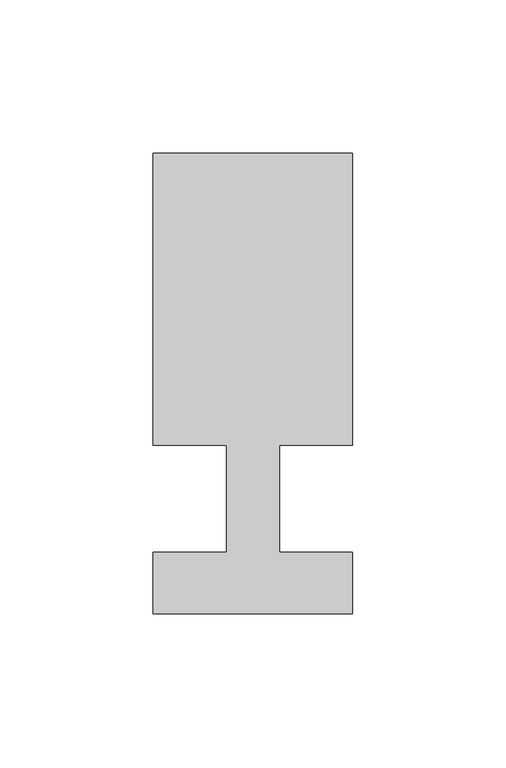
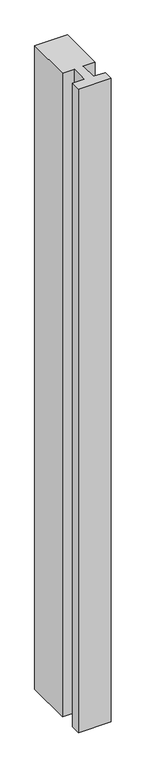
"""IFC4 building model written with IfcOpenShell, lengths in millimetres: member geometry."""

from ifc_helpers import new_model, si_unit, frame, origin, place, context, project, spatial, polyline, outline, extrude, source, transform, mapped, element, save


def member_2e012008(model_context):
    return source(origin(), model_context, "Body", "SweptSolid", [
        extrude(outline(polyline([(-65.0, -37.0), (-65.0, -17.0), (-41.1875, -17.0), (-41.1875, 18.0), (-65.0, 18.0), (-65.0, 113.0), (0.0, 113.0), (0.0, 18.0), (-23.8125, 18.0), (-23.8125, -17.0), (0.0, -17.0), (0.0, -37.0), (-65.0, -37.0)])), frame((0.0, 0.0, -1350.0), z_axis=(0.0, 0.0, 1.0), x_axis=(1.0, 0.0, 0.0)), (0.0, 0.0, 1.0), 1350.0),
    ])


if __name__ == "__main__":
    model = new_model("IFC4")
    model_context = context("Model", 3, world=origin())
    ifc_project = project(units=[si_unit("LENGTHUNIT", "METRE", prefix="MILLI")], contexts=[model_context])
    site = spatial("IfcSite", under=ifc_project)
    building = spatial("IfcBuilding", under=site)
    placement = place(None, origin())
    member_shape = member_2e012008(model_context)
    element("IfcMember", 1, at=placement, inside=building, context=model_context, shape_type="MappedRepresentation", body=[
        mapped(member_shape, transform((0.0, 0.0, 0.0), x_axis=(1.0, 0.0, 0.0), y_axis=(0.0, 1.0, 0.0), z_axis=(0.0, 0.0, 1.0))),
    ])
    save(model, "model.ifc")
